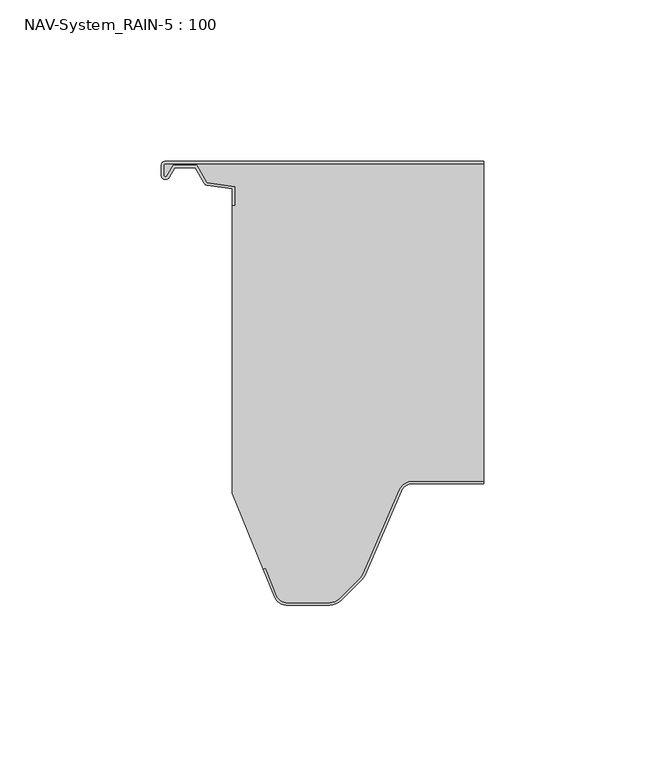
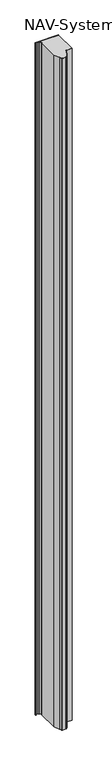
"""IFC4 building model written with IfcOpenShell, lengths in millimetres: plate geometry, NAV-System_RAIN-5 : 100."""

from ifc_helpers import new_model, si_unit, point, frame_2d, origin, origin_with_axes, place, context, project, spatial, polyline, circle_curve, trimmed, segment, composite_curve, outline, extrude, source, transform, mapped, element, save


def nav_system_rain_5_100_9b09aab8(model_context):
    return source(origin(), model_context, "Body", "SweptSolid", [
        extrude(outline(composite_curve([segment(trimmed(circle_curve(frame_2d((-48.7, -1.3)), 0.5), [point((-48.7, -0.8))], [point((-49.2, -1.3))], True, "CARTESIAN"), True, "CONTINUOUS"), segment(polyline([(-49.2, -1.3), (-49.2, -4.3700191)]), True, "CONTINUOUS"), segment(trimmed(circle_curve(frame_2d((-48.7, -4.3700191)), 0.5), [point((-49.2, -4.3700191))], [point((-48.2669873, -4.6200191))], True, "CARTESIAN"), True, "CONTINUOUS"), segment(polyline([(-48.2669873, -4.6200191), (-46.2924383, -1.2), (-38.9841833, -1.2), (-35.8164586, -6.6866602), (-27.2, -7.898332), (-27.2, -13.6767555), (-28.0, -13.6767555), (-28.0, -8.5937048), (-35.6863953, -7.5128213)]), True, "CONTINUOUS"), segment(trimmed(circle_curve(frame_2d((-35.5053666, -6.2254873)), 1.3), [point((-35.6863953, -7.5128213))], [point((-36.6311996, -6.8754873))], False, "CARTESIAN"), True, "CONTINUOUS"), segment(polyline([(-36.6311996, -6.8754873), (-39.4460636, -2.0), (-45.8305581, -2.0), (-47.574167, -5.0200191)]), True, "CONTINUOUS"), segment(trimmed(circle_curve(frame_2d((-48.7, -4.3700191)), 1.3), [point((-47.574167, -5.0200191))], [point((-50.0, -4.3700191))], False, "CARTESIAN"), True, "CONTINUOUS"), segment(polyline([(-50.0, -4.3700191), (-50.0, -1.3)]), True, "CONTINUOUS"), segment(trimmed(circle_curve(frame_2d((-48.7, -1.3)), 1.3), [point((-50.0, -1.3))], [point((-48.7, 0.0))], False, "CARTESIAN"), True, "CONTINUOUS"), segment(polyline([(-48.7, 0.0), (50.0, 0.0), (50.0, -0.8), (-48.7, -0.8)]), True, "CONTINUOUS")], self_intersect=False)), origin_with_axes(), (0.0, 0.0, 1.0), 3000.0),
        extrude(outline(composite_curve([segment(trimmed(circle_curve(frame_2d((28.0709249, -104.0)), 4.8), [point((28.0709249, -99.2))], [point((23.6607271, -102.1052295))], True, "CARTESIAN"), True, "CONTINUOUS"), segment(polyline([(23.6607271, -102.1052295), (12.5754349, -127.9069459)]), True, "CONTINUOUS"), segment(trimmed(circle_curve(frame_2d((8.7165118, -126.2490217)), 4.2), [point((12.5754349, -127.9069459))], [point((11.6863603, -129.2188701))], False, "CARTESIAN"), True, "CONTINUOUS"), segment(polyline([(11.6863603, -129.2188701), (5.235382, -135.6698485)]), True, "CONTINUOUS"), segment(trimmed(circle_curve(frame_2d((2.2655335, -132.7)), 4.2), [point((5.235382, -135.6698485))], [point((2.2655335, -136.9))], False, "CARTESIAN"), True, "CONTINUOUS"), segment(polyline([(2.2655335, -136.9), (-11.1405186, -136.9)]), True, "CONTINUOUS"), segment(trimmed(circle_curve(frame_2d((-11.1405186, -133.7)), 3.2), [point((-11.1405186, -136.9))], [point((-14.1022482, -134.9116756))], False, "CARTESIAN"), True, "CONTINUOUS"), segment(polyline([(-14.1022482, -134.9116756), (-17.6292254, -126.2905951), (-18.3696578, -126.593514), (-28.0, -103.053822), (-28.0, -13.6767555), (-27.2, -13.6767555), (-27.2, -7.898332), (-35.8164586, -6.6866602), (-38.9841833, -1.2), (-46.2924383, -1.2), (-48.2669873, -4.6200191)]), True, "CONTINUOUS"), segment(trimmed(circle_curve(frame_2d((-48.7, -4.3700191)), 0.5), [point((-48.2669873, -4.6200191))], [point((-49.2, -4.3700191))], False, "CARTESIAN"), True, "CONTINUOUS"), segment(polyline([(-49.2, -4.3700191), (-49.2, -1.3)]), True, "CONTINUOUS"), segment(trimmed(circle_curve(frame_2d((-48.7, -1.3)), 0.5), [point((-49.2, -1.3))], [point((-48.7, -0.8))], False, "CARTESIAN"), True, "CONTINUOUS"), segment(polyline([(-48.7, -0.8), (50.0, -0.8), (50.0, -99.2), (28.0709249, -99.2)]), True, "CONTINUOUS")], self_intersect=False)), origin_with_axes(), (0.0, 0.0, 1.0), 3000.0),
        extrude(outline(composite_curve([segment(polyline([(-14.8430228, -135.2145945), (-18.37, -126.593514), (-17.6295676, -126.2905951), (-14.1025904, -134.9116756)]), True, "CONTINUOUS"), segment(trimmed(circle_curve(frame_2d((-11.1408608, -133.7)), 3.2), [point((-14.1025904, -134.9116756))], [point((-11.1408608, -136.9))], True, "CARTESIAN"), True, "CONTINUOUS"), segment(polyline([(-11.1408608, -136.9), (2.2651913, -136.9)]), True, "CONTINUOUS"), segment(trimmed(circle_curve(frame_2d((2.2651913, -132.7)), 4.2), [point((2.2651913, -136.9))], [point((5.2350397, -135.6698485))], True, "CARTESIAN"), True, "CONTINUOUS"), segment(polyline([(5.2350397, -135.6698485), (11.6860181, -129.2188701)]), True, "CONTINUOUS"), segment(trimmed(circle_curve(frame_2d((8.7161696, -126.2490217)), 4.2), [point((11.6860181, -129.2188701))], [point((12.5750927, -127.9069459))], True, "CARTESIAN"), True, "CONTINUOUS"), segment(polyline([(12.5750927, -127.9069459), (23.6603849, -102.1052295)]), True, "CONTINUOUS"), segment(trimmed(circle_curve(frame_2d((28.0705827, -104.0)), 4.8), [point((23.6603849, -102.1052295))], [point((28.0705827, -99.2))], False, "CARTESIAN"), True, "CONTINUOUS"), segment(polyline([(28.0705827, -99.2), (50.0, -99.2), (50.0, -100.0), (28.0705827, -100.0)]), True, "CONTINUOUS"), segment(trimmed(circle_curve(frame_2d((28.0705827, -104.0)), 4.0), [point((28.0705827, -100.0))], [point((24.3954178, -102.4210246))], True, "CARTESIAN"), True, "CONTINUOUS"), segment(polyline([(24.3954178, -102.4210246), (13.3101256, -128.2227409)]), True, "CONTINUOUS"), segment(trimmed(circle_curve(frame_2d((8.7161696, -126.2490217)), 5.0), [point((13.3101256, -128.2227409))], [point((12.2517035, -129.7845556))], False, "CARTESIAN"), True, "CONTINUOUS"), segment(polyline([(12.2517035, -129.7845556), (5.8007252, -136.2355339)]), True, "CONTINUOUS"), segment(trimmed(circle_curve(frame_2d((2.2651913, -132.7)), 5.0), [point((5.8007252, -136.2355339))], [point((2.2651913, -137.7))], False, "CARTESIAN"), True, "CONTINUOUS"), segment(polyline([(2.2651913, -137.7), (-11.1408608, -137.7)]), True, "CONTINUOUS"), segment(trimmed(circle_curve(frame_2d((-11.1408608, -133.7)), 4.0), [point((-11.1408608, -137.7))], [point((-14.8430228, -135.2145945))], False, "CARTESIAN"), True, "CONTINUOUS")], self_intersect=False)), origin_with_axes(), (0.0, 0.0, 1.0), 3000.0),
    ])


if __name__ == "__main__":
    model = new_model("IFC4")
    model_context = context("Model", 3, world=origin())
    ifc_project = project(units=[si_unit("LENGTHUNIT", "METRE", prefix="MILLI")], contexts=[model_context])
    site = spatial("IfcSite", under=ifc_project)
    building = spatial("IfcBuilding", under=site)
    placement = place(None, origin())
    nav_system_rain_5_100_shape = nav_system_rain_5_100_9b09aab8(model_context)
    element("IfcPlate", 1, ObjectType="NAV-System_RAIN-5 : 100", at=placement, inside=building, context=model_context, shape_type="MappedRepresentation", body=[
        mapped(nav_system_rain_5_100_shape, transform((0.0, 0.0, 0.0), x_axis=(1.0, 0.0, 0.0), y_axis=(0.0, 1.0, 0.0), z_axis=(0.0, 0.0, 1.0))),
    ])
    save(model, "model.ifc")
